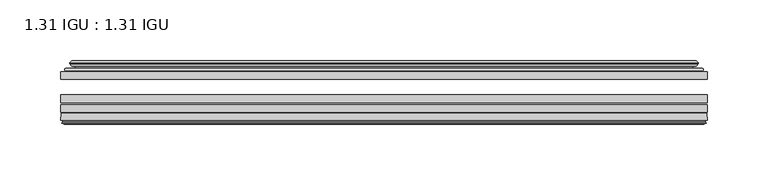
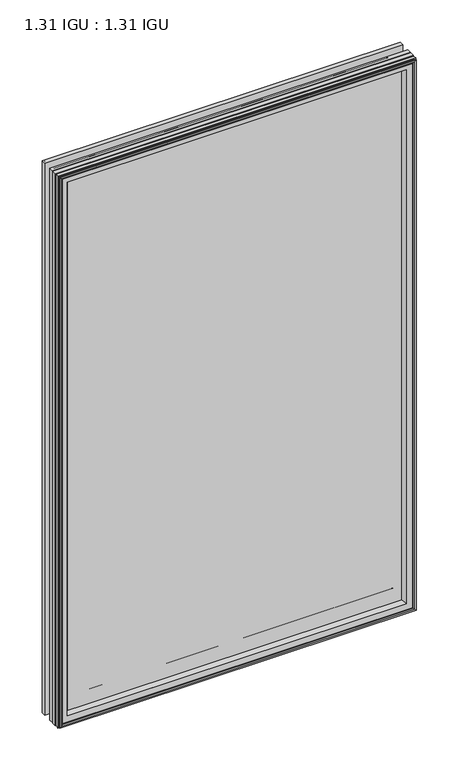
"""IFC4 building model written with IfcOpenShell, lengths in millimetres: plate geometry, 1.31 IGU : 1.31 IGU."""

from ifc_helpers import new_model, si_unit, frame, origin, place, context, project, spatial, polyline, ellipse_curve, outline, extrude, source, transform, mapped, element, save
from ifc_brep_helpers import plane_surface, cylinder_surface, revolved_surface, advanced_brep


def plate_1_31_igu_1_31_igu_6053950f(model_context):
    return source(origin(), model_context, "Body", "SolidModel", [
        extrude(outline(polyline([(267.1382432, -51.7723437), (267.1382432, -58.1223438), (-267.20519, -58.1223438), (-267.20519, -51.7723437), (267.1382432, -51.7723437)])), frame((0.0, 0.0, -14.2875), z_axis=(0.0, 0.0, 1.0), x_axis=(1.0, 0.0, 0.0)), (0.0, 0.0, 1.0), 870.96038),
        extrude(outline(polyline([(-267.20519, -85.4273438), (-267.20519, -79.0773437), (267.1382432, -79.0773437), (267.1382432, -85.4273438), (-267.20519, -85.4273438)])), frame((0.0, 0.0, -14.2875), z_axis=(0.0, 0.0, 1.0), x_axis=(1.0, 0.0, 0.0)), (0.0, 0.0, 1.0), 870.96038),
        extrude(outline(polyline([(-267.20519, -77.1723438), (-267.20519, -70.8223438), (267.1382432, -70.8223438), (267.1382432, -77.1723438), (-267.20519, -77.1723438)])), frame((0.0, 0.0, -14.2875), z_axis=(0.0, 0.0, 1.0), x_axis=(1.0, 0.0, 0.0)), (0.0, 0.0, 1.0), 870.96038),
        advanced_brep(
        [(-267.21789, -91.7773437, 856.68558), (-266.5231062, -86.1187838, 855.9907962), (-266.5231062, -86.1187838, -13.6054162), (-267.21789, -91.7773437, -14.3002), (-264.83029, -93.768408, 854.29798), (-265.28749, -91.7773437, 854.75518), (-265.28749, -91.7773437, -12.3698), (-264.83029, -93.768408, -11.9126), (-265.8316518, -93.5000939, 855.2993418), (-265.8316518, -93.5000939, -12.9139619), (-266.07489, -94.407871, 855.54258), (-266.07489, -94.407871, -13.1572), (-264.04289, -94.9523437, 853.51058), (-264.04289, -94.9523437, -11.1252), (-262.01089, -94.407871, 851.47858), (-262.01089, -94.407871, -9.0932), (-262.2541281, -93.5000939, 851.7218181), (-262.2541281, -93.5000939, -9.3364381), (-263.25549, -93.768408, 852.72318), (-263.25549, -93.768408, -10.3378), (-262.79829, -91.7773437, 852.26598), (-262.79829, -91.7773437, -9.8806), (-248.7286686, -85.4273437, 838.1963585), (-252.91769, -91.7773437, 842.38538), (-252.91769, -91.7773437, 0.0), (-248.7286686, -85.4273437, 4.1890214), (-265.7415754, -85.4273437, 855.2092653), (-265.7415754, -85.4273437, -12.8238854), (266.5231062, -86.1187838, -13.6054162), (267.21789, -91.7773437, -14.3002), (265.28749, -91.7773437, -12.3698), (264.83029, -93.768408, -11.9126), (265.8316518, -93.5000939, -12.9139619), (266.07489, -94.407871, -13.1572), (264.04289, -94.9523437, -11.1252), (262.01089, -94.407871, -9.0932), (262.2541281, -93.5000939, -9.3364381), (263.25549, -93.768408, -10.3378), (262.79829, -91.7773437, -9.8806), (252.91769, -91.7773437, 0.0), (248.7286686, -85.4273437, 4.1890214), (265.7415754, -85.4273437, -12.8238854), (266.5231062, -86.1187838, 855.9907962), (267.21789, -91.7773437, 856.68558), (265.28749, -91.7773437, 854.75518), (264.83029, -93.768408, 854.29798), (265.8316518, -93.5000939, 855.2993418), (266.07489, -94.407871, 855.54258), (264.04289, -94.9523437, 853.51058), (262.01089, -94.407871, 851.47858), (262.2541281, -93.5000939, 851.7218181), (263.25549, -93.768408, 852.72318), (262.79829, -91.7773437, 852.26598), (252.91769, -91.7773437, 842.38538), (248.7286686, -85.4273437, 838.1963585), (265.7415754, -85.4273437, 855.2092653)],
        [
            (0, 1),
            (1, 2),
            (2, 3),
            (3, 0),
            (4, 5),
            (5, 6),
            (6, 7),
            (7, 4),
            (8, 4),
            (7, 9),
            (9, 8),
            (10, 8),
            (9, 11),
            (11, 10),
            (12, 10),
            (11, 13),
            (13, 12),
            (14, 12),
            (13, 15),
            (15, 14),
            (16, 14),
            (15, 17),
            (17, 16),
            (18, 16),
            (17, 19),
            (19, 18),
            (20, 18),
            (19, 21),
            (21, 20),
            (22, 23, ellipse_curve(frame((-245.933796, -91.8278132, 835.401486), z_axis=(0.7071067811865475, 0.0, 0.7071067811865475), x_axis=(0.7071067811865474, 0.0, -0.7071067811865476)), 9.8769754, 6.9840763)),
            (23, 24),
            (24, 25, ellipse_curve(frame((-245.933796, -91.8278132, 6.983894), z_axis=(0.7071067811865475, 0.0, -0.7071067811865475), x_axis=(-0.7071067811865474, 0.0, -0.7071067811865476)), 9.8769754, 6.9840763)),
            (25, 22),
            (1, 26, ellipse_curve(frame((-265.7415754, -86.2147437, 855.2092653), z_axis=(-0.7071067811865475, 0.0, -0.7071067811865475), x_axis=(-0.7071067811865474, 0.0, 0.7071067811865476)), 1.1135518, 0.7874)),
            (26, 27),
            (27, 2, ellipse_curve(frame((-265.7415754, -86.2147437, -12.8238854), z_axis=(-0.7071067811865475, 0.0, 0.7071067811865475), x_axis=(0.7071067811865474, 0.0, 0.7071067811865476)), 1.1135518, 0.7874)),
            (2, 28),
            (28, 29),
            (29, 3),
            (6, 30),
            (30, 31),
            (31, 7),
            (31, 32),
            (32, 9),
            (32, 33),
            (33, 11),
            (33, 34),
            (34, 13),
            (34, 35),
            (35, 15),
            (35, 36),
            (36, 17),
            (36, 37),
            (37, 19),
            (37, 38),
            (38, 21),
            (24, 39),
            (39, 40, ellipse_curve(frame((245.933796, -91.8278132, 6.983894), z_axis=(0.7071067811865475, 0.0, 0.7071067811865475), x_axis=(0.7071067811865476, 0.0, -0.7071067811865474)), 9.8769754, 6.9840763)),
            (40, 25),
            (27, 41),
            (41, 28, ellipse_curve(frame((265.7415754, -86.2147437, -12.8238854), z_axis=(-0.7071067811865475, 0.0, -0.7071067811865475), x_axis=(-0.7071067811865476, 0.0, 0.7071067811865474)), 1.1135518, 0.7874)),
            (28, 42),
            (42, 43),
            (43, 29),
            (30, 44),
            (44, 45),
            (45, 31),
            (45, 46),
            (46, 32),
            (46, 47),
            (47, 33),
            (47, 48),
            (48, 34),
            (48, 49),
            (49, 35),
            (49, 50),
            (50, 36),
            (50, 51),
            (51, 37),
            (51, 52),
            (52, 38),
            (39, 53),
            (53, 54, ellipse_curve(frame((245.933796, -91.8278132, 835.401486), z_axis=(-0.7071067811865475, 0.0, 0.7071067811865475), x_axis=(0.7071067811865474, 0.0, 0.7071067811865476)), 9.8769754, 6.9840763)),
            (54, 40),
            (41, 55),
            (55, 42, ellipse_curve(frame((265.7415754, -86.2147437, 855.2092653), z_axis=(0.7071067811865475, 0.0, -0.7071067811865475), x_axis=(-0.7071067811865474, 0.0, -0.7071067811865476)), 1.1135518, 0.7874)),
            (42, 1),
            (0, 43),
            (5, 44),
            (4, 45),
            (8, 46),
            (10, 47),
            (12, 48),
            (14, 49),
            (16, 50),
            (18, 51),
            (20, 52),
            (23, 53),
            (22, 54),
            (26, 55),
        ],
        [
            plane_surface(frame((-266.5231062, -86.1187838, 855.9907962), z_axis=(-0.9925461516413241, 0.12186934340513103, 0.0), x_axis=(0.0, 0.0, -1.0))),
            plane_surface(frame((-265.28749, -91.7773437, 854.75518), z_axis=(-0.9746347637895992, -0.22380142361654515, 0.0), x_axis=(0.0, 0.0, -1.0))),
            plane_surface(frame((-264.83029, -93.768408, 854.29798), z_axis=(0.2588190451026678, 0.9659258262890289, 0.0), x_axis=(0.0, 0.0, -1.0))),
            plane_surface(frame((-265.8316518, -93.5000939, 855.2993418), z_axis=(-0.9659258262890449, 0.2588190451026082, 0.0), x_axis=(0.0, 0.0, -1.0))),
            plane_surface(frame((-266.07489, -94.407871, 855.54258), z_axis=(-0.25881904510250453, -0.9659258262890728, 0.0), x_axis=(0.0, 0.0, -1.0))),
            plane_surface(frame((-264.04289, -94.9523437, 853.51058), z_axis=(0.25881904510247905, -0.9659258262890795, 0.0), x_axis=(0.0, 0.0, -1.0))),
            plane_surface(frame((-262.01089, -94.407871, 851.47858), z_axis=(0.9659258262890272, 0.2588190451026741, 0.0), x_axis=(0.0, 0.0, -1.0))),
            plane_surface(frame((-262.2541281, -93.5000939, 851.7218181), z_axis=(-0.2588190451023418, 0.9659258262891163, 0.0), x_axis=(0.0, 0.0, -1.0))),
            plane_surface(frame((-263.25549, -93.768408, 852.72318), z_axis=(0.9746347637895937, -0.22380142361656946, 0.0), x_axis=(0.0, 0.0, -1.0))),
            revolved_surface(polyline([(-252.9178723, -91.8278132, -0.00018228295277822326), (-252.9178723, -91.8278132, 842.3855622829527)]), (-245.933796, -91.8278132, 874.13538), (0.0, 0.0, -1.0)),
            cylinder_surface(frame((-265.7415754, -86.2147437, 874.13538), z_axis=(0.0, 0.0, 1.0), x_axis=(-1.0, 0.0, 0.0)), 0.7874),
            plane_surface(frame((-266.5231062, -86.1187838, -13.6054162), z_axis=(0.0, 0.12186934340512784, -0.9925461516413245), x_axis=(1.0, 0.0, 0.0))),
            plane_surface(frame((-265.28749, -91.7773437, -12.3698), z_axis=(0.0, -0.22380142361654828, -0.9746347637895986), x_axis=(1.0, 0.0, 0.0))),
            plane_surface(frame((-264.83029, -93.768408, -11.9126), z_axis=(0.0, 0.9659258262890298, 0.25881904510266474), x_axis=(1.0, 0.0, 0.0))),
            plane_surface(frame((-265.8316518, -93.5000939, -12.9139619), z_axis=(0.0, 0.2588190451026051, -0.9659258262890457), x_axis=(1.0, 0.0, 0.0))),
            plane_surface(frame((-266.07489, -94.407871, -13.1572), z_axis=(0.0, -0.9659258262890735, -0.2588190451025014), x_axis=(1.0, 0.0, 0.0))),
            plane_surface(frame((-264.04289, -94.9523437, -11.1252), z_axis=(0.0, -0.9659258262890787, 0.25881904510248216), x_axis=(1.0, 0.0, 0.0))),
            plane_surface(frame((-262.01089, -94.407871, -9.0932), z_axis=(0.0, 0.2588190451026772, 0.9659258262890265), x_axis=(1.0, 0.0, 0.0))),
            plane_surface(frame((-262.2541281, -93.5000939, -9.3364381), z_axis=(0.0, 0.9659258262891155, -0.25881904510234494), x_axis=(1.0, 0.0, 0.0))),
            plane_surface(frame((-263.25549, -93.768408, -10.3378), z_axis=(0.0, -0.22380142361656633, 0.9746347637895943), x_axis=(1.0, 0.0, 0.0))),
            revolved_surface(polyline([(252.91787228295277, -91.8278132, -0.00018229999999963553), (-252.91787228295271, -91.8278132, -0.00018229999999963553)]), (-284.66769, -91.8278132, 6.983894), (1.0, 0.0, 0.0)),
            cylinder_surface(frame((-284.66769, -86.2147437, -12.8238854), z_axis=(-1.0, 0.0, 0.0), x_axis=(0.0, 0.0, -1.0)), 0.7874),
            plane_surface(frame((266.5231062, -86.1187838, -13.6054162), z_axis=(0.992546151641325, 0.12186934340512465, 0.0), x_axis=(0.0, 0.0, 1.0))),
            plane_surface(frame((265.28749, -91.7773437, -12.3698), z_axis=(0.9746347637895978, -0.2238014236165514, 0.0), x_axis=(0.0, 0.0, 1.0))),
            plane_surface(frame((264.83029, -93.768408, -11.9126), z_axis=(-0.2588190451026616, 0.9659258262890306, 0.0), x_axis=(0.0, 0.0, 1.0))),
            plane_surface(frame((265.8316518, -93.5000939, -12.9139619), z_axis=(0.9659258262890466, 0.25881904510260206, 0.0), x_axis=(0.0, 0.0, 1.0))),
            plane_surface(frame((266.07489, -94.407871, -13.1572), z_axis=(0.2588190451024983, -0.9659258262890743, 0.0), x_axis=(0.0, 0.0, 1.0))),
            plane_surface(frame((264.04289, -94.9523437, -11.1252), z_axis=(-0.25881904510248527, -0.9659258262890779, 0.0), x_axis=(0.0, 0.0, 1.0))),
            plane_surface(frame((262.01089, -94.407871, -9.0932), z_axis=(-0.9659258262890257, 0.25881904510268033, 0.0), x_axis=(0.0, 0.0, 1.0))),
            plane_surface(frame((262.2541281, -93.5000939, -9.3364381), z_axis=(0.25881904510234804, 0.9659258262891147, 0.0), x_axis=(0.0, 0.0, 1.0))),
            plane_surface(frame((263.25549, -93.768408, -10.3378), z_axis=(-0.974634763789595, -0.2238014236165632, 0.0), x_axis=(0.0, 0.0, 1.0))),
            revolved_surface(polyline([(252.9178723, -91.8278132, 842.3855622829527), (252.9178723, -91.8278132, -0.0001822829527107217)]), (245.933796, -91.8278132, -31.75), (0.0, 0.0, 1.0)),
            cylinder_surface(frame((265.7415754, -86.2147437, -31.75), z_axis=(0.0, 0.0, -1.0), x_axis=(1.0, 0.0, 0.0)), 0.7874),
            plane_surface(frame((266.5231062, -86.1187838, 855.9907962), z_axis=(0.0, 0.12186934340512784, 0.9925461516413245), x_axis=(-1.0, 0.0, 0.0))),
            plane_surface(frame((267.21789, -91.7773437, 856.68558), z_axis=(0.0, -1.0, 0.0), x_axis=(-1.0, 0.0, 0.0))),
            plane_surface(frame((265.28749, -91.7773437, 854.75518), z_axis=(0.0, -0.22380142361654826, 0.9746347637895985), x_axis=(-1.0, 0.0, 0.0))),
            plane_surface(frame((264.83029, -93.768408, 854.29798), z_axis=(0.0, 0.9659258262890298, -0.25881904510266474), x_axis=(-1.0, 0.0, 0.0))),
            plane_surface(frame((265.8316518, -93.5000939, 855.2993418), z_axis=(0.0, 0.25881904510260517, 0.9659258262890458), x_axis=(-1.0, 0.0, 0.0))),
            plane_surface(frame((266.07489, -94.407871, 855.54258), z_axis=(0.0, -0.9659258262890735, 0.2588190451025014), x_axis=(-1.0, 0.0, 0.0))),
            plane_surface(frame((264.04289, -94.9523437, 853.51058), z_axis=(0.0, -0.9659258262890786, -0.25881904510248216), x_axis=(-1.0, 0.0, 0.0))),
            plane_surface(frame((262.01089, -94.407871, 851.47858), z_axis=(0.0, 0.2588190451026772, -0.9659258262890265), x_axis=(-1.0, 0.0, 0.0))),
            plane_surface(frame((262.2541281, -93.5000939, 851.7218181), z_axis=(0.0, 0.9659258262891155, 0.25881904510234494), x_axis=(-1.0, 0.0, 0.0))),
            plane_surface(frame((263.25549, -93.768408, 852.72318), z_axis=(0.0, -0.22380142361656633, -0.9746347637895943), x_axis=(-1.0, 0.0, 0.0))),
            plane_surface(frame((262.79829, -91.7773437, 852.26598), z_axis=(0.0, -1.0, 0.0), x_axis=(-1.0, 0.0, 0.0))),
            revolved_surface(polyline([(-252.91787228295277, -91.8278132, 842.3855623), (252.91787228295271, -91.8278132, 842.3855623)]), (284.66769, -91.8278132, 835.401486), (-1.0, 0.0, 0.0)),
            plane_surface(frame((248.7286686, -85.4273437, 838.1963585), z_axis=(0.0, 1.0, 0.0), x_axis=(-1.0, 0.0, 0.0))),
            cylinder_surface(frame((284.66769, -86.2147437, 855.2092653), z_axis=(1.0, 0.0, 0.0), x_axis=(0.0, 0.0, 1.0)), 0.7874),
        ],
        [
            (0, [[1, 2, 3, 4]]),
            (1, [[5, 6, 7, 8]]),
            (2, [[9, -8, 10, 11]]),
            (3, [[12, -11, 13, 14]]),
            (4, [[15, -14, 16, 17]]),
            (5, [[18, -17, 19, 20]]),
            (6, [[21, -20, 22, 23]]),
            (7, [[24, -23, 25, 26]]),
            (8, [[27, -26, 28, 29]]),
            (9, [[30, 31, 32, 33]]),
            (10, [[34, 35, 36, -2]]),
            (11, [[-3, 37, 38, 39]]),
            (12, [[-7, 40, 41, 42]]),
            (13, [[-10, -42, 43, 44]]),
            (14, [[-13, -44, 45, 46]]),
            (15, [[-16, -46, 47, 48]]),
            (16, [[-19, -48, 49, 50]]),
            (17, [[-22, -50, 51, 52]]),
            (18, [[-25, -52, 53, 54]]),
            (19, [[-28, -54, 55, 56]]),
            (20, [[-32, 57, 58, 59]]),
            (21, [[-36, 60, 61, -37]]),
            (22, [[-38, 62, 63, 64]]),
            (23, [[-41, 65, 66, 67]]),
            (24, [[-43, -67, 68, 69]]),
            (25, [[-45, -69, 70, 71]]),
            (26, [[-47, -71, 72, 73]]),
            (27, [[-49, -73, 74, 75]]),
            (28, [[-51, -75, 76, 77]]),
            (29, [[-53, -77, 78, 79]]),
            (30, [[-55, -79, 80, 81]]),
            (31, [[-58, 82, 83, 84]]),
            (32, [[-61, 85, 86, -62]]),
            (33, [[-63, 87, -1, 88]]),
            (34, [[-39, -64, -88, -4], [89, -65, -40, -6]]),
            (35, [[-66, -89, -5, 90]]),
            (36, [[-68, -90, -9, 91]]),
            (37, [[-70, -91, -12, 92]]),
            (38, [[-72, -92, -15, 93]]),
            (39, [[-74, -93, -18, 94]]),
            (40, [[-76, -94, -21, 95]]),
            (41, [[-78, -95, -24, 96]]),
            (42, [[-80, -96, -27, 97]]),
            (43, [[-56, -81, -97, -29], [98, -82, -57, -31]]),
            (44, [[-83, -98, -30, 99]]),
            (45, [[100, -85, -60, -35], [-59, -84, -99, -33]]),
            (46, [[-86, -100, -34, -87]]),
        ],
    ),
        advanced_brep(
        [(-248.8699802, -50.6812421, 838.3376701), (-249.3117904, -51.7723437, 838.7794803), (-249.3117904, -51.7723437, 3.6058996), (-248.8699802, -50.6812421, 4.0477098), (-252.91769, -42.9585437, 842.38538), (-252.91769, -42.9585437, 0.0), (-258.1036009, -44.1396428, 847.5712908), (-258.1036009, -44.1396428, -5.1859109), (-257.7740256, -43.3125262, 847.2417156), (-257.7740256, -43.3125262, -4.8563356), (-257.7740256, -42.4982749, 847.2417156), (-257.7740256, -42.4982749, -4.8563356), (-259.590301, -44.4569108, 849.057991), (-259.590301, -44.4569108, -6.6726111), (-259.590301, -45.1700367, 849.057991), (-259.590301, -45.1700367, -6.6726111), (-257.7740256, -47.1188911, 847.2417156), (-257.7740256, -47.1188911, -4.8563356), (-257.7740256, -46.3144213, 847.2417156), (-257.7740256, -46.3144213, -4.8563356), (-258.0959401, -45.5065305, 847.5636301), (-258.0959401, -45.5065305, -5.1782501), (-255.5721279, -45.3481387, 845.0398178), (-255.5721279, -45.3481387, -2.6544379), (-254.5463116, -46.0358481, 844.0140016), (-254.5463116, -46.0358481, -1.6286217), (-254.6647188, -47.4303169, 844.1324088), (-254.6647188, -47.4303169, -1.7470288), (-255.2664647, -48.9275437, 844.7341547), (-255.2664647, -48.9275437, -2.3487748), (-263.1922453, -50.8359667, 852.6599353), (-262.7066145, -48.9275437, 852.1743045), (-262.7066145, -48.9275437, -9.7889245), (-263.1922453, -50.8359667, -10.2745553), (-261.4715054, -51.7723437, 850.9391954), (-261.4715054, -51.7723437, -8.5538155), (249.3117904, -51.7723437, 3.6058996), (248.8699802, -50.6812421, 4.0477098), (252.91769, -42.9585437, 0.0), (258.1036009, -44.1396428, -5.1859109), (257.7740256, -43.3125262, -4.8563356), (257.7740256, -42.4982749, -4.8563356), (259.590301, -44.4569108, -6.6726111), (259.590301, -45.1700367, -6.6726111), (257.7740256, -47.1188911, -4.8563356), (257.7740256, -46.3144213, -4.8563356), (258.0959401, -45.5065305, -5.1782501), (255.5721279, -45.3481387, -2.6544379), (254.5463116, -46.0358481, -1.6286217), (254.6647188, -47.4303169, -1.7470288), (255.2664647, -48.9275437, -2.3487748), (262.7066145, -48.9275437, -9.7889245), (263.1922453, -50.8359667, -10.2745553), (261.4715054, -51.7723437, -8.5538155), (249.3117904, -51.7723437, 838.7794803), (248.8699802, -50.6812421, 838.3376701), (252.91769, -42.9585437, 842.38538), (258.1036009, -44.1396428, 847.5712908), (257.7740256, -43.3125262, 847.2417156), (257.7740256, -42.4982749, 847.2417156), (259.590301, -44.4569108, 849.057991), (259.590301, -45.1700367, 849.057991), (257.7740256, -47.1188911, 847.2417156), (257.7740256, -46.3144213, 847.2417156), (258.0959401, -45.5065305, 847.5636301), (255.5721279, -45.3481387, 845.0398178), (254.5463116, -46.0358481, 844.0140016), (254.6647188, -47.4303169, 844.1324088), (255.2664647, -48.9275437, 844.7341547), (262.7066145, -48.9275437, 852.1743045), (263.1922453, -50.8359667, 852.6599353), (261.4715054, -51.7723437, 850.9391954)],
        [
            (0, 1, ellipse_curve(frame((-249.3117904, -51.1373437, 838.7794803), z_axis=(-0.7071067811865475, 0.0, -0.7071067811865475), x_axis=(-0.7071067811865474, 0.0, 0.7071067811865476)), 0.8980256, 0.635)),
            (1, 2),
            (2, 3, ellipse_curve(frame((-249.3117904, -51.1373437, 3.6058996), z_axis=(-0.7071067811865475, 0.0, 0.7071067811865475), x_axis=(0.7071067811865474, 0.0, 0.7071067811865476)), 0.8980256, 0.635)),
            (3, 0),
            (4, 0, ellipse_curve(frame((-239.1848954, -40.6828682, 828.6525854), z_axis=(0.7071067811865475, 0.0, 0.7071067811865475), x_axis=(0.7071067811865474, 0.0, -0.7071067811865476)), 19.6859517, 13.9200699)),
            (3, 5, ellipse_curve(frame((-239.1848954, -40.6828682, 13.7327946), z_axis=(0.7071067811865475, 0.0, -0.7071067811865475), x_axis=(-0.7071067811865474, 0.0, -0.7071067811865476)), 19.6859517, 13.9200699)),
            (5, 4),
            (6, 4),
            (5, 7),
            (7, 6),
            (8, 6),
            (7, 9),
            (9, 8),
            (10, 8),
            (9, 11),
            (11, 10),
            (12, 10),
            (11, 13),
            (13, 12),
            (14, 12, ellipse_curve(frame((-259.2284629, -44.8134737, 848.6961529), z_axis=(-0.7071067811865475, 0.0, -0.7071067811865475), x_axis=(-0.7071067811865474, 0.0, 0.7071067811865476)), 0.7184205, 0.508)),
            (13, 15, ellipse_curve(frame((-259.2284629, -44.8134737, -6.3107729), z_axis=(-0.7071067811865475, 0.0, 0.7071067811865475), x_axis=(0.7071067811865474, 0.0, 0.7071067811865476)), 0.7184205, 0.508)),
            (15, 14),
            (16, 14),
            (15, 17),
            (17, 16),
            (18, 16),
            (17, 19),
            (19, 18),
            (20, 18),
            (19, 21),
            (21, 20),
            (22, 20),
            (21, 23),
            (23, 22),
            (24, 22, ellipse_curve(frame((-255.50849, -46.3621437, 844.97618), z_axis=(0.7071067811865475, 0.0, 0.7071067811865475), x_axis=(0.7071067811865474, 0.0, -0.7071067811865476)), 1.436841, 1.016)),
            (23, 25, ellipse_curve(frame((-255.50849, -46.3621437, -2.5908), z_axis=(0.7071067811865475, 0.0, -0.7071067811865475), x_axis=(-0.7071067811865474, 0.0, -0.7071067811865476)), 1.436841, 1.016)),
            (25, 24),
            (26, 24, ellipse_curve(frame((-256.88009, -46.5399437, 846.34778), z_axis=(0.7071067811865475, 0.0, 0.7071067811865475), x_axis=(0.7071067811865474, 0.0, -0.7071067811865476)), 3.3765763, 2.3876)),
            (25, 27, ellipse_curve(frame((-256.88009, -46.5399437, -3.9624), z_axis=(0.7071067811865475, 0.0, -0.7071067811865475), x_axis=(-0.7071067811865474, 0.0, -0.7071067811865476)), 3.3765763, 2.3876)),
            (27, 26),
            (28, 26),
            (27, 29),
            (29, 28),
            (30, 31, ellipse_curve(frame((-262.7066145, -49.9435437, 852.1743045), z_axis=(-0.7071067811865475, 0.0, -0.7071067811865475), x_axis=(-0.7071067811865474, 0.0, 0.7071067811865476)), 1.436841, 1.016)),
            (31, 32),
            (32, 33, ellipse_curve(frame((-262.7066145, -49.9435437, -9.7889245), z_axis=(-0.7071067811865475, 0.0, 0.7071067811865475), x_axis=(0.7071067811865474, 0.0, 0.7071067811865476)), 1.436841, 1.016)),
            (33, 30),
            (34, 30),
            (33, 35),
            (35, 34),
            (2, 36),
            (36, 37, ellipse_curve(frame((249.3117904, -51.1373437, 3.6058996), z_axis=(-0.7071067811865475, 0.0, -0.7071067811865475), x_axis=(-0.7071067811865476, 0.0, 0.7071067811865474)), 0.8980256, 0.635)),
            (37, 3),
            (37, 38, ellipse_curve(frame((239.1848954, -40.6828682, 13.7327946), z_axis=(0.7071067811865475, 0.0, 0.7071067811865475), x_axis=(0.7071067811865476, 0.0, -0.7071067811865474)), 19.6859517, 13.9200699)),
            (38, 5),
            (38, 39),
            (39, 7),
            (39, 40),
            (40, 9),
            (40, 41),
            (41, 11),
            (41, 42),
            (42, 13),
            (42, 43, ellipse_curve(frame((259.2284629, -44.8134737, -6.3107729), z_axis=(-0.7071067811865475, 0.0, -0.7071067811865475), x_axis=(-0.7071067811865476, 0.0, 0.7071067811865474)), 0.7184205, 0.508)),
            (43, 15),
            (43, 44),
            (44, 17),
            (44, 45),
            (45, 19),
            (45, 46),
            (46, 21),
            (46, 47),
            (47, 23),
            (47, 48, ellipse_curve(frame((255.50849, -46.3621437, -2.5908), z_axis=(0.7071067811865475, 0.0, 0.7071067811865475), x_axis=(0.7071067811865476, 0.0, -0.7071067811865474)), 1.436841, 1.016)),
            (48, 25),
            (48, 49, ellipse_curve(frame((256.88009, -46.5399437, -3.9624), z_axis=(0.7071067811865475, 0.0, 0.7071067811865475), x_axis=(0.7071067811865476, 0.0, -0.7071067811865474)), 3.3765763, 2.3876)),
            (49, 27),
            (49, 50),
            (50, 29),
            (32, 51),
            (51, 52, ellipse_curve(frame((262.7066145, -49.9435437, -9.7889245), z_axis=(-0.7071067811865475, 0.0, -0.7071067811865475), x_axis=(-0.7071067811865476, 0.0, 0.7071067811865474)), 1.436841, 1.016)),
            (52, 33),
            (52, 53),
            (53, 35),
            (36, 54),
            (54, 55, ellipse_curve(frame((249.3117904, -51.1373437, 838.7794803), z_axis=(0.7071067811865475, 0.0, -0.7071067811865475), x_axis=(-0.7071067811865474, 0.0, -0.7071067811865476)), 0.8980256, 0.635)),
            (55, 37),
            (55, 56, ellipse_curve(frame((239.1848954, -40.6828682, 828.6525854), z_axis=(-0.7071067811865475, 0.0, 0.7071067811865475), x_axis=(0.7071067811865474, 0.0, 0.7071067811865476)), 19.6859517, 13.9200699)),
            (56, 38),
            (56, 57),
            (57, 39),
            (57, 58),
            (58, 40),
            (58, 59),
            (59, 41),
            (59, 60),
            (60, 42),
            (60, 61, ellipse_curve(frame((259.2284629, -44.8134737, 848.6961529), z_axis=(0.7071067811865475, 0.0, -0.7071067811865475), x_axis=(-0.7071067811865474, 0.0, -0.7071067811865476)), 0.7184205, 0.508)),
            (61, 43),
            (61, 62),
            (62, 44),
            (62, 63),
            (63, 45),
            (63, 64),
            (64, 46),
            (64, 65),
            (65, 47),
            (65, 66, ellipse_curve(frame((255.50849, -46.3621437, 844.97618), z_axis=(-0.7071067811865475, 0.0, 0.7071067811865475), x_axis=(0.7071067811865474, 0.0, 0.7071067811865476)), 1.436841, 1.016)),
            (66, 48),
            (66, 67, ellipse_curve(frame((256.88009, -46.5399437, 846.34778), z_axis=(-0.7071067811865475, 0.0, 0.7071067811865475), x_axis=(0.7071067811865474, 0.0, 0.7071067811865476)), 3.3765763, 2.3876)),
            (67, 49),
            (67, 68),
            (68, 50),
            (51, 69),
            (69, 70, ellipse_curve(frame((262.7066145, -49.9435437, 852.1743045), z_axis=(0.7071067811865475, 0.0, -0.7071067811865475), x_axis=(-0.7071067811865474, 0.0, -0.7071067811865476)), 1.436841, 1.016)),
            (70, 52),
            (70, 71),
            (71, 53),
            (54, 1),
            (0, 55),
            (4, 56),
            (6, 57),
            (8, 58),
            (10, 59),
            (12, 60),
            (14, 61),
            (16, 62),
            (18, 63),
            (20, 64),
            (22, 65),
            (24, 66),
            (26, 67),
            (28, 68),
            (31, 69),
            (30, 70),
            (34, 71),
        ],
        [
            cylinder_surface(frame((-249.3117904, -51.1373437, 874.13538), z_axis=(0.0, 0.0, 1.0), x_axis=(-1.0, 0.0, 0.0)), 0.635),
            revolved_surface(polyline([(-253.10496529999998, -40.6828682, -0.18727534118079348), (-253.10496529999998, -40.6828682, 842.5726553411808)]), (-239.1848954, -40.6828682, 874.13538), (0.0, 0.0, -1.0)),
            plane_surface(frame((-252.91769, -42.9585437, 842.38538), z_axis=(-0.22206498442778808, 0.9750318675259215, 0.0), x_axis=(0.0, 0.0, -1.0))),
            plane_surface(frame((-258.1036009, -44.1396428, 847.5712908), z_axis=(0.9289682685629942, -0.3701593656833133, 0.0), x_axis=(0.0, 0.0, -1.0))),
            plane_surface(frame((-257.7740256, -43.3125262, 847.2417156), z_axis=(1.0, 0.0, 0.0), x_axis=(0.0, 0.0, -1.0))),
            plane_surface(frame((-257.7740256, -42.4982749, 847.2417156), z_axis=(-0.7332521292723948, 0.6799568478348454, 0.0), x_axis=(0.0, 0.0, -1.0))),
            cylinder_surface(frame((-259.2284629, -44.8134737, 874.13538), z_axis=(0.0, 0.0, 1.0), x_axis=(-1.0, 0.0, 0.0)), 0.508),
            plane_surface(frame((-259.590301, -45.1700367, 849.057991), z_axis=(-0.7315522693036389, -0.6817853601220082, 0.0), x_axis=(0.0, 0.0, -1.0))),
            plane_surface(frame((-257.7740256, -47.1188911, 847.2417156), z_axis=(1.0, 0.0, 0.0), x_axis=(0.0, 0.0, -1.0))),
            plane_surface(frame((-257.7740256, -46.3144213, 847.2417156), z_axis=(0.9289682685631103, 0.37015936568302166, 0.0), x_axis=(0.0, 0.0, -1.0))),
            plane_surface(frame((-258.0959401, -45.5065305, 847.5636301), z_axis=(0.06263570119321647, -0.9980364567169048, 0.0), x_axis=(0.0, 0.0, -1.0))),
            revolved_surface(polyline([(-256.52449, -46.3621437, -3.606800014586838), (-256.52449, -46.3621437, 845.9921800145869)]), (-255.50849, -46.3621437, 874.13538), (0.0, 0.0, -1.0)),
            revolved_surface(polyline([(-259.26769, -46.5399437, -6.3499999989237494), (-259.26769, -46.5399437, 848.7353799989237)]), (-256.88009, -46.5399437, 874.13538), (0.0, 0.0, -1.0)),
            plane_surface(frame((-254.6647188, -47.4303169, 844.1324088), z_axis=(-0.927865292542892, 0.3729155385530262, 0.0), x_axis=(0.0, 0.0, -1.0))),
            cylinder_surface(frame((-262.7066145, -49.9435437, 874.13538), z_axis=(0.0, 0.0, 1.0), x_axis=(-1.0, 0.0, 0.0)), 1.016),
            plane_surface(frame((-263.1922453, -50.8359667, 852.6599353), z_axis=(-0.477983117370979, -0.8783690223979447, 0.0), x_axis=(0.0, 0.0, -1.0))),
            cylinder_surface(frame((-284.66769, -51.1373437, 3.6058996), z_axis=(-1.0, 0.0, 0.0), x_axis=(0.0, 0.0, -1.0)), 0.635),
            revolved_surface(polyline([(253.1049653411808, -40.6828682, -0.1872752999999996), (-253.10496534118084, -40.6828682, -0.1872752999999996)]), (-284.66769, -40.6828682, 13.7327946), (1.0, 0.0, 0.0)),
            plane_surface(frame((-252.91769, -42.9585437, 0.0), z_axis=(0.0, 0.9750318675259209, -0.2220649844277912), x_axis=(1.0, 0.0, 0.0))),
            plane_surface(frame((-258.1036009, -44.1396428, -5.1859109), z_axis=(0.0, -0.3701593656833103, 0.9289682685629954), x_axis=(1.0, 0.0, 0.0))),
            plane_surface(frame((-257.7740256, -43.3125262, -4.8563356), z_axis=(0.0, 0.0, 1.0), x_axis=(1.0, 0.0, 0.0))),
            plane_surface(frame((-257.7740256, -42.4982749, -4.8563356), z_axis=(0.0, 0.6799568478348431, -0.733252129272397), x_axis=(1.0, 0.0, 0.0))),
            cylinder_surface(frame((-284.66769, -44.8134737, -6.3107729), z_axis=(-1.0, 0.0, 0.0), x_axis=(0.0, 0.0, -1.0)), 0.508),
            plane_surface(frame((-259.590301, -45.1700367, -6.6726111), z_axis=(0.0, -0.6817853601220105, -0.7315522693036367), x_axis=(1.0, 0.0, 0.0))),
            plane_surface(frame((-257.7740256, -47.1188911, -4.8563356), z_axis=(0.0, 0.0, 1.0), x_axis=(1.0, 0.0, 0.0))),
            plane_surface(frame((-257.7740256, -46.3144213, -4.8563356), z_axis=(0.0, 0.37015936568302465, 0.9289682685631091), x_axis=(1.0, 0.0, 0.0))),
            plane_surface(frame((-258.0959401, -45.5065305, -5.1782501), z_axis=(0.0, -0.9980364567169046, 0.06263570119321968), x_axis=(1.0, 0.0, 0.0))),
            revolved_surface(polyline([(256.52449001458683, -46.3621437, -3.6068000000000002), (-256.52449001458683, -46.3621437, -3.6068000000000002)]), (-284.66769, -46.3621437, -2.5908), (1.0, 0.0, 0.0)),
            revolved_surface(polyline([(259.26768999892374, -46.5399437, -6.35), (-259.2676899989238, -46.5399437, -6.35)]), (-284.66769, -46.5399437, -3.9624), (1.0, 0.0, 0.0)),
            plane_surface(frame((-254.6647188, -47.4303169, -1.7470288), z_axis=(0.0, 0.37291553855302323, -0.9278652925428932), x_axis=(1.0, 0.0, 0.0))),
            cylinder_surface(frame((-284.66769, -49.9435437, -9.7889245), z_axis=(-1.0, 0.0, 0.0), x_axis=(0.0, 0.0, -1.0)), 1.016),
            plane_surface(frame((-263.1922453, -50.8359667, -10.2745553), z_axis=(0.0, -0.8783690223979462, -0.47798311737097615), x_axis=(1.0, 0.0, 0.0))),
            cylinder_surface(frame((249.3117904, -51.1373437, -31.75), z_axis=(0.0, 0.0, -1.0), x_axis=(1.0, 0.0, 0.0)), 0.635),
            revolved_surface(polyline([(253.10496529999998, -40.6828682, 842.5726553411808), (253.10496529999998, -40.6828682, -0.1872753411808432)]), (239.1848954, -40.6828682, -31.75), (0.0, 0.0, 1.0)),
            plane_surface(frame((252.91769, -42.9585437, 0.0), z_axis=(0.22206498442779435, 0.9750318675259202, 0.0), x_axis=(0.0, 0.0, 1.0))),
            plane_surface(frame((258.1036009, -44.1396428, -5.1859109), z_axis=(-0.9289682685629966, -0.3701593656833073, 0.0), x_axis=(0.0, 0.0, 1.0))),
            plane_surface(frame((257.7740256, -43.3125262, -4.8563356), z_axis=(-1.0, 0.0, 0.0), x_axis=(0.0, 0.0, 1.0))),
            plane_surface(frame((257.7740256, -42.4982749, -4.8563356), z_axis=(0.7332521292723992, 0.6799568478348408, 0.0), x_axis=(0.0, 0.0, 1.0))),
            cylinder_surface(frame((259.2284629, -44.8134737, -31.75), z_axis=(0.0, 0.0, -1.0), x_axis=(1.0, 0.0, 0.0)), 0.508),
            plane_surface(frame((259.590301, -45.1700367, -6.6726111), z_axis=(0.7315522693036345, -0.6817853601220129, 0.0), x_axis=(0.0, 0.0, 1.0))),
            plane_surface(frame((257.7740256, -47.1188911, -4.8563356), z_axis=(-1.0, 0.0, 0.0), x_axis=(0.0, 0.0, 1.0))),
            plane_surface(frame((257.7740256, -46.3144213, -4.8563356), z_axis=(-0.928968268563108, 0.3701593656830277, 0.0), x_axis=(0.0, 0.0, 1.0))),
            plane_surface(frame((258.0959401, -45.5065305, -5.1782501), z_axis=(-0.06263570119322288, -0.9980364567169043, 0.0), x_axis=(0.0, 0.0, 1.0))),
            revolved_surface(polyline([(256.52449, -46.3621437, 845.9921800145869), (256.52449, -46.3621437, -3.606800014586863)]), (255.50849, -46.3621437, -31.75), (0.0, 0.0, 1.0)),
            revolved_surface(polyline([(259.26769, -46.5399437, 848.7353799989237), (259.26769, -46.5399437, -6.349999998923781)]), (256.88009, -46.5399437, -31.75), (0.0, 0.0, 1.0)),
            plane_surface(frame((254.6647188, -47.4303169, -1.7470288), z_axis=(0.9278652925428944, 0.37291553855302023, 0.0), x_axis=(0.0, 0.0, 1.0))),
            cylinder_surface(frame((262.7066145, -49.9435437, -31.75), z_axis=(0.0, 0.0, -1.0), x_axis=(1.0, 0.0, 0.0)), 1.016),
            plane_surface(frame((263.1922453, -50.8359667, -10.2745553), z_axis=(0.4779831173709733, -0.8783690223979478, 0.0), x_axis=(0.0, 0.0, 1.0))),
            cylinder_surface(frame((284.66769, -51.1373437, 838.7794803), z_axis=(1.0, 0.0, 0.0), x_axis=(0.0, 0.0, 1.0)), 0.635),
            revolved_surface(polyline([(-253.1049653411808, -40.6828682, 842.5726553000001), (253.10496534118084, -40.6828682, 842.5726553000001)]), (284.66769, -40.6828682, 828.6525854), (-1.0, 0.0, 0.0)),
            plane_surface(frame((252.91769, -42.9585437, 842.38538), z_axis=(0.0, 0.9750318675259209, 0.2220649844277912), x_axis=(-1.0, 0.0, 0.0))),
            plane_surface(frame((258.1036009, -44.1396428, 847.5712908), z_axis=(0.0, -0.3701593656833103, -0.9289682685629954), x_axis=(-1.0, 0.0, 0.0))),
            plane_surface(frame((257.7740256, -43.3125262, 847.2417156), z_axis=(0.0, 0.0, -1.0), x_axis=(-1.0, 0.0, 0.0))),
            plane_surface(frame((257.7740256, -42.4982749, 847.2417156), z_axis=(0.0, 0.6799568478348431, 0.733252129272397), x_axis=(-1.0, 0.0, 0.0))),
            cylinder_surface(frame((284.66769, -44.8134737, 848.6961529), z_axis=(1.0, 0.0, 0.0), x_axis=(0.0, 0.0, 1.0)), 0.508),
            plane_surface(frame((259.590301, -45.1700367, 849.057991), z_axis=(0.0, -0.6817853601220105, 0.7315522693036367), x_axis=(-1.0, 0.0, 0.0))),
            plane_surface(frame((257.7740256, -47.1188911, 847.2417156), z_axis=(0.0, 0.0, -1.0), x_axis=(-1.0, 0.0, 0.0))),
            plane_surface(frame((257.7740256, -46.3144213, 847.2417156), z_axis=(0.0, 0.3701593656830247, -0.9289682685631092), x_axis=(-1.0, 0.0, 0.0))),
            plane_surface(frame((258.0959401, -45.5065305, 847.5636301), z_axis=(0.0, -0.9980364567169046, -0.06263570119321968), x_axis=(-1.0, 0.0, 0.0))),
            revolved_surface(polyline([(-256.52449001458683, -46.3621437, 845.99218), (256.52449001458683, -46.3621437, 845.99218)]), (284.66769, -46.3621437, 844.97618), (-1.0, 0.0, 0.0)),
            revolved_surface(polyline([(-259.26768999892374, -46.5399437, 848.73538), (259.2676899989238, -46.5399437, 848.73538)]), (284.66769, -46.5399437, 846.34778), (-1.0, 0.0, 0.0)),
            plane_surface(frame((254.6647188, -47.4303169, 844.1324088), z_axis=(0.0, 0.37291553855302323, 0.9278652925428932), x_axis=(-1.0, 0.0, 0.0))),
            plane_surface(frame((255.2664647, -48.9275437, 844.7341547), z_axis=(0.0, 1.0, 0.0), x_axis=(-1.0, 0.0, 0.0))),
            cylinder_surface(frame((284.66769, -49.9435437, 852.1743045), z_axis=(1.0, 0.0, 0.0), x_axis=(0.0, 0.0, 1.0)), 1.016),
            plane_surface(frame((263.1922453, -50.8359667, 852.6599353), z_axis=(0.0, -0.8783690223979462, 0.47798311737097615), x_axis=(-1.0, 0.0, 0.0))),
            plane_surface(frame((261.4715054, -51.7723437, 850.9391954), z_axis=(0.0, -1.0, 0.0), x_axis=(-1.0, 0.0, 0.0))),
        ],
        [
            (0, [[1, 2, 3, 4]]),
            (1, [[5, -4, 6, 7]]),
            (2, [[8, -7, 9, 10]]),
            (3, [[11, -10, 12, 13]]),
            (4, [[14, -13, 15, 16]]),
            (5, [[17, -16, 18, 19]]),
            (6, [[20, -19, 21, 22]]),
            (7, [[23, -22, 24, 25]]),
            (8, [[26, -25, 27, 28]]),
            (9, [[29, -28, 30, 31]]),
            (10, [[32, -31, 33, 34]]),
            (11, [[35, -34, 36, 37]]),
            (12, [[38, -37, 39, 40]]),
            (13, [[41, -40, 42, 43]]),
            (14, [[44, 45, 46, 47]]),
            (15, [[48, -47, 49, 50]]),
            (16, [[-3, 51, 52, 53]]),
            (17, [[-6, -53, 54, 55]]),
            (18, [[-9, -55, 56, 57]]),
            (19, [[-12, -57, 58, 59]]),
            (20, [[-15, -59, 60, 61]]),
            (21, [[-18, -61, 62, 63]]),
            (22, [[-21, -63, 64, 65]]),
            (23, [[-24, -65, 66, 67]]),
            (24, [[-27, -67, 68, 69]]),
            (25, [[-30, -69, 70, 71]]),
            (26, [[-33, -71, 72, 73]]),
            (27, [[-36, -73, 74, 75]]),
            (28, [[-39, -75, 76, 77]]),
            (29, [[-42, -77, 78, 79]]),
            (30, [[-46, 80, 81, 82]]),
            (31, [[-49, -82, 83, 84]]),
            (32, [[-52, 85, 86, 87]]),
            (33, [[-54, -87, 88, 89]]),
            (34, [[-56, -89, 90, 91]]),
            (35, [[-58, -91, 92, 93]]),
            (36, [[-60, -93, 94, 95]]),
            (37, [[-62, -95, 96, 97]]),
            (38, [[-64, -97, 98, 99]]),
            (39, [[-66, -99, 100, 101]]),
            (40, [[-68, -101, 102, 103]]),
            (41, [[-70, -103, 104, 105]]),
            (42, [[-72, -105, 106, 107]]),
            (43, [[-74, -107, 108, 109]]),
            (44, [[-76, -109, 110, 111]]),
            (45, [[-78, -111, 112, 113]]),
            (46, [[-81, 114, 115, 116]]),
            (47, [[-83, -116, 117, 118]]),
            (48, [[-86, 119, -1, 120]]),
            (49, [[-88, -120, -5, 121]]),
            (50, [[-90, -121, -8, 122]]),
            (51, [[-92, -122, -11, 123]]),
            (52, [[-94, -123, -14, 124]]),
            (53, [[-96, -124, -17, 125]]),
            (54, [[-98, -125, -20, 126]]),
            (55, [[-100, -126, -23, 127]]),
            (56, [[-102, -127, -26, 128]]),
            (57, [[-104, -128, -29, 129]]),
            (58, [[-106, -129, -32, 130]]),
            (59, [[-108, -130, -35, 131]]),
            (60, [[-110, -131, -38, 132]]),
            (61, [[-112, -132, -41, 133]]),
            (62, [[134, -114, -80, -45], [-79, -113, -133, -43]]),
            (63, [[-115, -134, -44, 135]]),
            (64, [[-117, -135, -48, 136]]),
            (65, [[-84, -118, -136, -50], [-119, -85, -51, -2]]),
        ],
    ),
    ])


if __name__ == "__main__":
    model = new_model("IFC4")
    model_context = context("Model", 3, world=origin())
    ifc_project = project(units=[si_unit("LENGTHUNIT", "METRE", prefix="MILLI")], contexts=[model_context])
    site = spatial("IfcSite", under=ifc_project)
    building = spatial("IfcBuilding", under=site)
    placement = place(None, origin())
    plate_1_31_igu_1_31_igu_shape = plate_1_31_igu_1_31_igu_6053950f(model_context)
    element("IfcPlate", 1, ObjectType="1.31 IGU : 1.31 IGU", at=placement, inside=building, context=model_context, shape_type="MappedRepresentation", body=[
        mapped(plate_1_31_igu_1_31_igu_shape, transform((0.0, 0.0, 0.0), x_axis=(1.0, 0.0, 0.0), y_axis=(0.0, 1.0, 0.0), z_axis=(0.0, 0.0, 1.0))),
    ])
    save(model, "model.ifc")
